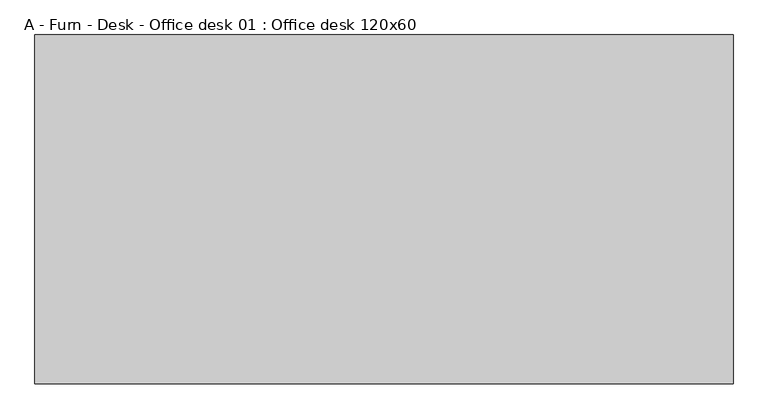
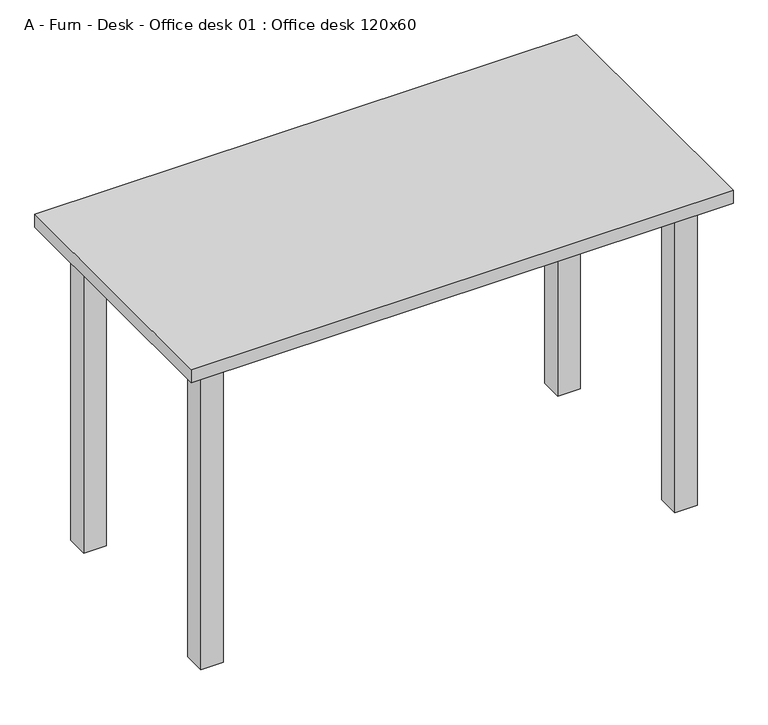
"""IFC4 building model written with IfcOpenShell, lengths in millimetres: furniture geometry, A - Furn - Desk - Office desk 01 : Office desk 120x60."""

import ifcopenshell
import ifcopenshell.guid

model = None  # the IFC model being written
_history = None  # IfcOwnerHistory: only IFC2X3 demands one
_inside = {}  # id of a spatial element -> (the spatial element, [elements in it])
_under = {}  # id of a project, library or spatial element -> (it, [spatial elements below it])
_declared = {}  # id of a project -> (the project, [libraries it declares])
_typed = {}  # id of a type object -> (the type object, [elements of that type])
_made_of = {}  # id of a material, layer set ... -> (it, [elements and type objects made of it])


def new_model(schema):
    """Start an empty IFC model of exactly this schema.

    Asked for "IFC4X3", IfcOpenShell would pick the latest addendum, in which some entities
    have other attributes; the version numbers below select the first issue.
    IFC2X3 requires an IfcOwnerHistory on every rooted entity: one is made here for all.
    """
    global model, _history
    if schema == "IFC4X3":
        model = ifcopenshell.file(schema_version=(4, 3, 0, 0))
    else:
        model = ifcopenshell.file(schema=schema)
    _inside.clear()
    _under.clear()
    _declared.clear()
    _typed.clear()
    _made_of.clear()
    _history = None
    if model.schema == "IFC2X3":
        org = make("IfcOrganization", Name="unknown")
        user = make(
            "IfcPersonAndOrganization",
            ThePerson=make("IfcPerson", FamilyName="unknown"),
            TheOrganization=org,
        )
        app = make(
            "IfcApplication",
            ApplicationDeveloper=org,
            Version="unknown",
            ApplicationFullName="unknown",
            ApplicationIdentifier="unknown",
        )
        _history = make(
            "IfcOwnerHistory",
            OwningUser=user,
            OwningApplication=app,
            ChangeAction="ADDED",
            CreationDate=0,
        )
    return model


def make(cls, **values):
    """One entity of the class cls with the attributes given. An attribute that is None is left unset."""
    return model.create_entity(
        cls, **{name: value for name, value in values.items() if value is not None}
    )


def rooted(cls, **values):
    """An entity with a GlobalId (a new one), such as an element, a storey or a relation."""
    return make(cls, GlobalId=ifcopenshell.guid.new(), OwnerHistory=_history, **values)


def si_unit(unit_type, name, prefix=None):
    """IfcSIUnit, for example si_unit("LENGTHUNIT", "METRE", prefix="MILLI")."""
    return make("IfcSIUnit", UnitType=unit_type, Prefix=prefix, Name=name)


def assignment(units):
    """IfcUnitAssignment: the units of a project."""
    return None if units is None else make("IfcUnitAssignment", Units=units)


def point(xyz):
    """IfcCartesianPoint."""
    return None if xyz is None else make("IfcCartesianPoint", Coordinates=xyz)


def direction(xyz):
    """IfcDirection."""
    return None if xyz is None else make("IfcDirection", DirectionRatios=xyz)


def frame(location, z_axis=None, x_axis=None):
    """IfcAxis2Placement3D, a coordinate frame: its origin and axes. An axis left out is left unset."""
    return make(
        "IfcAxis2Placement3D",
        Location=point(location),
        Axis=direction(z_axis),
        RefDirection=direction(x_axis),
    )


def origin():
    """The frame at (0, 0, 0) with its axes left unset."""
    return frame((0.0, 0.0, 0.0))


def origin_with_axes():
    """The frame at (0, 0, 0) with the z axis (0, 0, 1) and the x axis (1, 0, 0) written out."""
    return frame((0.0, 0.0, 0.0), z_axis=(0.0, 0.0, 1.0), x_axis=(1.0, 0.0, 0.0))


def place(relative_to, where):
    """IfcLocalPlacement: puts the frame where relative to a parent placement (None: the world)."""
    return make(
        "IfcLocalPlacement", PlacementRelTo=relative_to, RelativePlacement=where
    )


def context(
    kind, dimensions, precision=None, world=None, true_north=None, identifier=None
):
    """IfcGeometricRepresentationContext, for example the 3D "Model" context."""
    return make(
        "IfcGeometricRepresentationContext",
        ContextIdentifier=identifier,
        ContextType=kind,
        CoordinateSpaceDimension=dimensions,
        Precision=precision,
        WorldCoordinateSystem=world,
        TrueNorth=true_north,
    )


def project(units=None, contexts=None):
    """IfcProject with its units and contexts."""
    return rooted(
        "IfcProject",
        Name="project",
        RepresentationContexts=contexts,
        UnitsInContext=assignment(units),
    )


def spatial(cls, under=None, at=None, **own):
    """A site, building, storey or space (cls), placed at a placement, below another one or the project."""
    s = rooted(cls, ObjectPlacement=at, **own)
    if under is not None:
        _under.setdefault(under.id(), (under, []))[1].append(s)
    return s


def polyline(points):
    """IfcPolyline through the points."""
    return make("IfcPolyline", Points=[point(p) for p in points])


def outline(outer, holes=None, kind="AREA"):
    """IfcArbitraryClosedProfileDef: a profile drawn as a closed curve; with holes, ...WithVoids."""
    if holes is None:
        return make("IfcArbitraryClosedProfileDef", ProfileType=kind, OuterCurve=outer)
    return make(
        "IfcArbitraryProfileDefWithVoids",
        ProfileType=kind,
        OuterCurve=outer,
        InnerCurves=holes,
    )


def extrude(swept, where, along, depth):
    """IfcExtrudedAreaSolid: the profile swept, set in the frame where, extruded along a direction by depth."""
    return make(
        "IfcExtrudedAreaSolid",
        SweptArea=swept,
        Position=where,
        ExtrudedDirection=direction(along),
        Depth=depth,
    )


def shape(context_of_items, identifier, shape_type, items):
    """IfcShapeRepresentation: the items that make up one representation, for example the "Body"."""
    return make(
        "IfcShapeRepresentation",
        ContextOfItems=context_of_items,
        RepresentationIdentifier=identifier,
        RepresentationType=shape_type,
        Items=items,
    )


def source(mapping_origin, context_of_items, identifier, shape_type, items):
    """IfcRepresentationMap: a shape defined once, which mapped items show again and again."""
    return make(
        "IfcRepresentationMap",
        MappingOrigin=mapping_origin,
        MappedRepresentation=shape(context_of_items, identifier, shape_type, items),
    )


def transform(
    local_origin,
    x_axis=None,
    y_axis=None,
    z_axis=None,
    scale=None,
    scale2=None,
    scale3=None,
    uniform=True,
):
    """IfcCartesianTransformationOperator3D, or its non-uniform kind. x_axis, y_axis, z_axis: its Axis1, 2, 3."""
    if uniform:
        return make(
            "IfcCartesianTransformationOperator3D",
            Axis1=direction(x_axis),
            Axis2=direction(y_axis),
            LocalOrigin=point(local_origin),
            Scale=scale,
            Axis3=direction(z_axis),
        )
    return make(
        "IfcCartesianTransformationOperator3DnonUniform",
        Axis1=direction(x_axis),
        Axis2=direction(y_axis),
        LocalOrigin=point(local_origin),
        Scale=scale,
        Axis3=direction(z_axis),
        Scale2=scale2,
        Scale3=scale3,
    )


def mapped(mapping_source, mapping_target):
    """IfcMappedItem: shows the shape of a source again, moved by a transform."""
    return make(
        "IfcMappedItem", MappingSource=mapping_source, MappingTarget=mapping_target
    )


def made_of(thing, what):
    """Note that an element or type object is made of a material, layer set ...; save() writes the relation."""
    if what is not None:
        _made_of.setdefault(what.id(), (what, []))[1].append(thing)
    return thing


def element(
    cls,
    number,
    at=None,
    inside=None,
    cuts=None,
    type_object=None,
    material=None,
    context=None,
    identifier="Body",
    shape_type=None,
    held_by="IfcProductDefinitionShape",
    body=None,
    shapes=None,
    **own,
):
    """One element of the class cls, such as IfcWall. Its Tag is "e" and its number.

    at: its placement. inside: the storey or other place that contains it. cuts: it is an
    opening in that element (IfcRelVoidsElement). A single representation is given by context,
    identifier, shape_type and body (its items); several are given by shapes. held_by: the class
    of the entity that holds the representations. save() writes the other relations.
    """
    e = rooted(cls, Tag="e%d" % number, ObjectPlacement=at, **own)
    if body is not None:
        shapes = [shape(context, identifier, shape_type, body)]
    if shapes is not None:
        e.Representation = make(held_by, Representations=shapes)
    if inside is not None:
        _inside.setdefault(inside.id(), (inside, []))[1].append(e)
    if cuts is not None:
        rooted(
            "IfcRelVoidsElement", RelatingBuildingElement=cuts, RelatedOpeningElement=e
        )
    if type_object is not None:
        _typed.setdefault(type_object.id(), (type_object, []))[1].append(e)
    return made_of(e, material)


def aggregate(whole, parts):
    """IfcRelAggregates: a whole, such as a stair, and the parts it consists of."""
    return rooted("IfcRelAggregates", RelatingObject=whole, RelatedObjects=parts)


def save(model, path):
    """Write the relations noted so far, then the file.

    IfcRelAggregates (storeys below a building ...), IfcRelContainedInSpatialStructure (elements
    in a storey), IfcRelDefinesByType, IfcRelAssociatesMaterial and IfcRelDeclares: one each for
    every whole, place, type object, material and project.
    """
    for whole, parts in _under.values():
        aggregate(whole, parts)
    for where, things in _inside.values():
        rooted(
            "IfcRelContainedInSpatialStructure",
            RelatedElements=things,
            RelatingStructure=where,
        )
    for kind, things in _typed.values():
        rooted("IfcRelDefinesByType", RelatedObjects=things, RelatingType=kind)
    for what, things in _made_of.values():
        rooted("IfcRelAssociatesMaterial", RelatedObjects=things, RelatingMaterial=what)
    for by, libraries in _declared.values():
        rooted("IfcRelDeclares", RelatingContext=by, RelatedDefinitions=libraries)
    model.write(path)


def a_furn_desk_office_desk_01_office_desk_120x60_73a10bd3(model_context):
    return source(origin(), model_context, "Body", "SweptSolid", [
        extrude(outline(polyline([(500.0, -250.0), (500.0, -200.0), (550.0, -200.0), (550.0, -250.0), (500.0, -250.0)])), origin_with_axes(), (0.0, 0.0, 1.0), 720.0),
        extrude(outline(polyline([(500.0, 250.0), (550.0, 250.0), (550.0, 200.0), (500.0, 200.0), (500.0, 250.0)])), origin_with_axes(), (0.0, 0.0, 1.0), 720.0),
        extrude(outline(polyline([(-500.0, -250.0), (-550.0, -250.0), (-550.0, -200.0), (-500.0, -200.0), (-500.0, -250.0)])), origin_with_axes(), (0.0, 0.0, 1.0), 720.0),
        extrude(outline(polyline([(-500.0, 250.0), (-500.0, 200.0), (-550.0, 200.0), (-550.0, 250.0), (-500.0, 250.0)])), origin_with_axes(), (0.0, 0.0, 1.0), 720.0),
        extrude(outline(polyline([(600.0, 300.0), (600.0, -300.0), (-600.0, -300.0), (-600.0, 300.0), (600.0, 300.0)])), frame((0.0, 0.0, 720.0), z_axis=(0.0, 0.0, 1.0), x_axis=(1.0, 0.0, 0.0)), (0.0, 0.0, 1.0), 30.0),
    ])


if __name__ == "__main__":
    model = new_model("IFC4")
    model_context = context("Model", 3, world=origin())
    ifc_project = project(units=[si_unit("LENGTHUNIT", "METRE", prefix="MILLI")], contexts=[model_context])
    site = spatial("IfcSite", under=ifc_project)
    building = spatial("IfcBuilding", under=site)
    placement = place(None, origin())
    a_furn_desk_office_desk_01_office_desk_120x60_shape = a_furn_desk_office_desk_01_office_desk_120x60_73a10bd3(model_context)
    element("IfcFurniture", 1, ObjectType="A - Furn - Desk - Office desk 01 : Office desk 120x60", at=placement, inside=building, context=model_context, shape_type="MappedRepresentation", body=[
        mapped(a_furn_desk_office_desk_01_office_desk_120x60_shape, transform((0.0, 0.0, 0.0), x_axis=(1.0, 0.0, 0.0), y_axis=(0.0, 1.0, 0.0), z_axis=(0.0, 0.0, 1.0))),
    ])
    save(model, "model.ifc")
